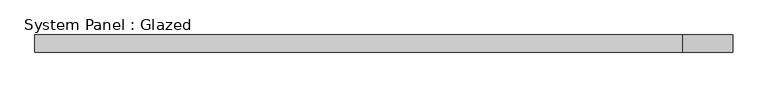
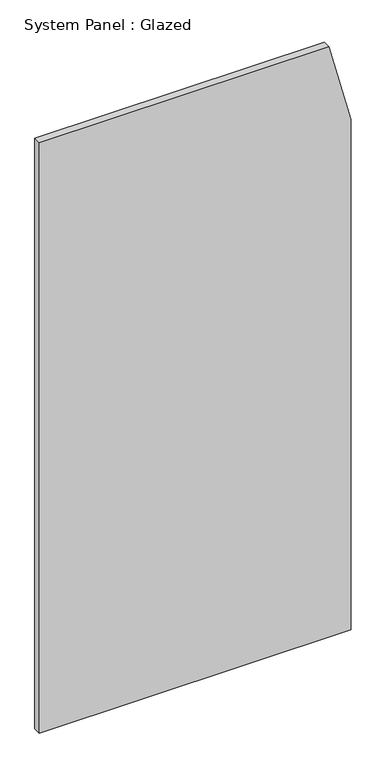
"""IFC4 building model written with IfcOpenShell, lengths in millimetres: plate geometry, System Panel : Glazed."""

from ifc_helpers import new_model, si_unit, frame, origin, place, context, project, spatial, polyline, outline, extrude, source, transform, mapped, element, save


def system_panel_glazed_b9edc1e9(model_context):
    return source(origin(), model_context, "Body", "SweptSolid", [
        extrude(outline(polyline([(0.0, -500.0), (0.0, 500.0), (1729.7297286, 500.0), (2000.0, 428.5714283), (2000.0, -500.0), (0.0, -500.0)])), frame((0.0, 24.5, 0.0), z_axis=(0.0, 1.0, 0.0), x_axis=(0.0, 0.0, 1.0)), (0.0, 0.0, 1.0), 25.0),
    ])


if __name__ == "__main__":
    model = new_model("IFC4")
    model_context = context("Model", 3, world=origin())
    ifc_project = project(units=[si_unit("LENGTHUNIT", "METRE", prefix="MILLI")], contexts=[model_context])
    site = spatial("IfcSite", under=ifc_project)
    building = spatial("IfcBuilding", under=site)
    placement = place(None, origin())
    system_panel_glazed_shape = system_panel_glazed_b9edc1e9(model_context)
    element("IfcPlate", 1, ObjectType="System Panel : Glazed", at=placement, inside=building, context=model_context, shape_type="MappedRepresentation", body=[
        mapped(system_panel_glazed_shape, transform((0.0, 0.0, 0.0), x_axis=(1.0, 0.0, 0.0), y_axis=(0.0, 1.0, 0.0), z_axis=(0.0, 0.0, 1.0))),
    ])
    save(model, "model.ifc")
